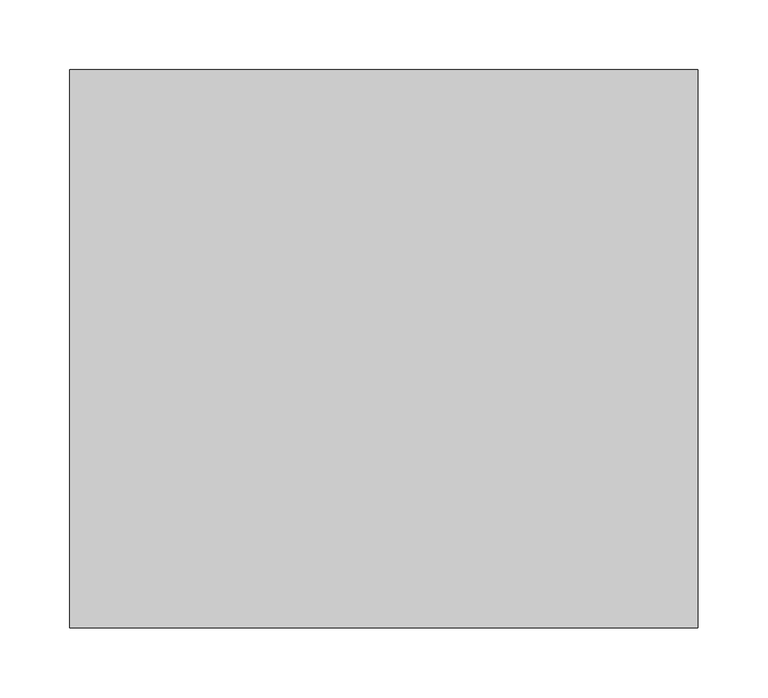
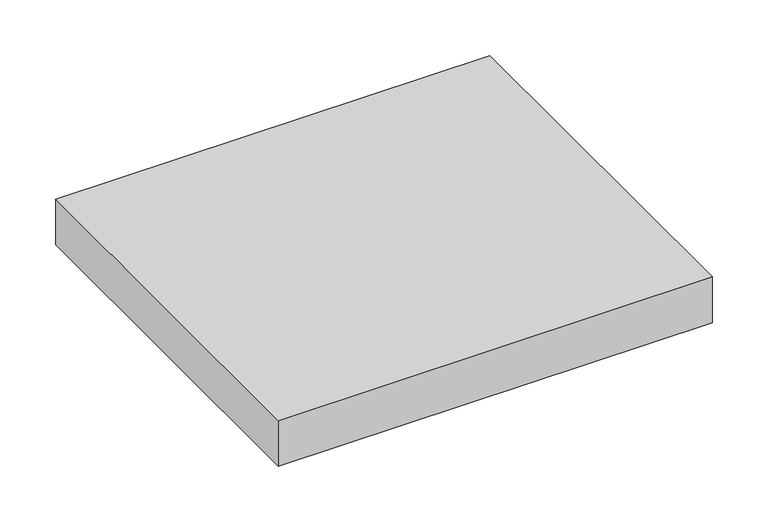
"""IFC4 building model written with IfcOpenShell, lengths in millimetres: proxy geometry."""

import ifcopenshell
import ifcopenshell.guid

model = None  # the IFC model being written
_history = None  # IfcOwnerHistory: only IFC2X3 demands one
_inside = {}  # id of a spatial element -> (the spatial element, [elements in it])
_under = {}  # id of a project, library or spatial element -> (it, [spatial elements below it])
_declared = {}  # id of a project -> (the project, [libraries it declares])
_typed = {}  # id of a type object -> (the type object, [elements of that type])
_made_of = {}  # id of a material, layer set ... -> (it, [elements and type objects made of it])


def new_model(schema):
    """Start an empty IFC model of exactly this schema.

    Asked for "IFC4X3", IfcOpenShell would pick the latest addendum, in which some entities
    have other attributes; the version numbers below select the first issue.
    IFC2X3 requires an IfcOwnerHistory on every rooted entity: one is made here for all.
    """
    global model, _history
    if schema == "IFC4X3":
        model = ifcopenshell.file(schema_version=(4, 3, 0, 0))
    else:
        model = ifcopenshell.file(schema=schema)
    _inside.clear()
    _under.clear()
    _declared.clear()
    _typed.clear()
    _made_of.clear()
    _history = None
    if model.schema == "IFC2X3":
        org = make("IfcOrganization", Name="unknown")
        user = make(
            "IfcPersonAndOrganization",
            ThePerson=make("IfcPerson", FamilyName="unknown"),
            TheOrganization=org,
        )
        app = make(
            "IfcApplication",
            ApplicationDeveloper=org,
            Version="unknown",
            ApplicationFullName="unknown",
            ApplicationIdentifier="unknown",
        )
        _history = make(
            "IfcOwnerHistory",
            OwningUser=user,
            OwningApplication=app,
            ChangeAction="ADDED",
            CreationDate=0,
        )
    return model


def make(cls, **values):
    """One entity of the class cls with the attributes given. An attribute that is None is left unset."""
    return model.create_entity(
        cls, **{name: value for name, value in values.items() if value is not None}
    )


def rooted(cls, **values):
    """An entity with a GlobalId (a new one), such as an element, a storey or a relation."""
    return make(cls, GlobalId=ifcopenshell.guid.new(), OwnerHistory=_history, **values)


def si_unit(unit_type, name, prefix=None):
    """IfcSIUnit, for example si_unit("LENGTHUNIT", "METRE", prefix="MILLI")."""
    return make("IfcSIUnit", UnitType=unit_type, Prefix=prefix, Name=name)


def assignment(units):
    """IfcUnitAssignment: the units of a project."""
    return None if units is None else make("IfcUnitAssignment", Units=units)


def point(xyz):
    """IfcCartesianPoint."""
    return None if xyz is None else make("IfcCartesianPoint", Coordinates=xyz)


def direction(xyz):
    """IfcDirection."""
    return None if xyz is None else make("IfcDirection", DirectionRatios=xyz)


def frame(location, z_axis=None, x_axis=None):
    """IfcAxis2Placement3D, a coordinate frame: its origin and axes. An axis left out is left unset."""
    return make(
        "IfcAxis2Placement3D",
        Location=point(location),
        Axis=direction(z_axis),
        RefDirection=direction(x_axis),
    )


def origin():
    """The frame at (0, 0, 0) with its axes left unset."""
    return frame((0.0, 0.0, 0.0))


def origin_with_axes():
    """The frame at (0, 0, 0) with the z axis (0, 0, 1) and the x axis (1, 0, 0) written out."""
    return frame((0.0, 0.0, 0.0), z_axis=(0.0, 0.0, 1.0), x_axis=(1.0, 0.0, 0.0))


def place(relative_to, where):
    """IfcLocalPlacement: puts the frame where relative to a parent placement (None: the world)."""
    return make(
        "IfcLocalPlacement", PlacementRelTo=relative_to, RelativePlacement=where
    )


def context(
    kind, dimensions, precision=None, world=None, true_north=None, identifier=None
):
    """IfcGeometricRepresentationContext, for example the 3D "Model" context."""
    return make(
        "IfcGeometricRepresentationContext",
        ContextIdentifier=identifier,
        ContextType=kind,
        CoordinateSpaceDimension=dimensions,
        Precision=precision,
        WorldCoordinateSystem=world,
        TrueNorth=true_north,
    )


def project(units=None, contexts=None):
    """IfcProject with its units and contexts."""
    return rooted(
        "IfcProject",
        Name="project",
        RepresentationContexts=contexts,
        UnitsInContext=assignment(units),
    )


def spatial(cls, under=None, at=None, **own):
    """A site, building, storey or space (cls), placed at a placement, below another one or the project."""
    s = rooted(cls, ObjectPlacement=at, **own)
    if under is not None:
        _under.setdefault(under.id(), (under, []))[1].append(s)
    return s


def polyline(points):
    """IfcPolyline through the points."""
    return make("IfcPolyline", Points=[point(p) for p in points])


def outline(outer, holes=None, kind="AREA"):
    """IfcArbitraryClosedProfileDef: a profile drawn as a closed curve; with holes, ...WithVoids."""
    if holes is None:
        return make("IfcArbitraryClosedProfileDef", ProfileType=kind, OuterCurve=outer)
    return make(
        "IfcArbitraryProfileDefWithVoids",
        ProfileType=kind,
        OuterCurve=outer,
        InnerCurves=holes,
    )


def extrude(swept, where, along, depth):
    """IfcExtrudedAreaSolid: the profile swept, set in the frame where, extruded along a direction by depth."""
    return make(
        "IfcExtrudedAreaSolid",
        SweptArea=swept,
        Position=where,
        ExtrudedDirection=direction(along),
        Depth=depth,
    )


def shape(context_of_items, identifier, shape_type, items):
    """IfcShapeRepresentation: the items that make up one representation, for example the "Body"."""
    return make(
        "IfcShapeRepresentation",
        ContextOfItems=context_of_items,
        RepresentationIdentifier=identifier,
        RepresentationType=shape_type,
        Items=items,
    )


def source(mapping_origin, context_of_items, identifier, shape_type, items):
    """IfcRepresentationMap: a shape defined once, which mapped items show again and again."""
    return make(
        "IfcRepresentationMap",
        MappingOrigin=mapping_origin,
        MappedRepresentation=shape(context_of_items, identifier, shape_type, items),
    )


def transform(
    local_origin,
    x_axis=None,
    y_axis=None,
    z_axis=None,
    scale=None,
    scale2=None,
    scale3=None,
    uniform=True,
):
    """IfcCartesianTransformationOperator3D, or its non-uniform kind. x_axis, y_axis, z_axis: its Axis1, 2, 3."""
    if uniform:
        return make(
            "IfcCartesianTransformationOperator3D",
            Axis1=direction(x_axis),
            Axis2=direction(y_axis),
            LocalOrigin=point(local_origin),
            Scale=scale,
            Axis3=direction(z_axis),
        )
    return make(
        "IfcCartesianTransformationOperator3DnonUniform",
        Axis1=direction(x_axis),
        Axis2=direction(y_axis),
        LocalOrigin=point(local_origin),
        Scale=scale,
        Axis3=direction(z_axis),
        Scale2=scale2,
        Scale3=scale3,
    )


def mapped(mapping_source, mapping_target):
    """IfcMappedItem: shows the shape of a source again, moved by a transform."""
    return make(
        "IfcMappedItem", MappingSource=mapping_source, MappingTarget=mapping_target
    )


def made_of(thing, what):
    """Note that an element or type object is made of a material, layer set ...; save() writes the relation."""
    if what is not None:
        _made_of.setdefault(what.id(), (what, []))[1].append(thing)
    return thing


def element(
    cls,
    number,
    at=None,
    inside=None,
    cuts=None,
    type_object=None,
    material=None,
    context=None,
    identifier="Body",
    shape_type=None,
    held_by="IfcProductDefinitionShape",
    body=None,
    shapes=None,
    **own,
):
    """One element of the class cls, such as IfcWall. Its Tag is "e" and its number.

    at: its placement. inside: the storey or other place that contains it. cuts: it is an
    opening in that element (IfcRelVoidsElement). A single representation is given by context,
    identifier, shape_type and body (its items); several are given by shapes. held_by: the class
    of the entity that holds the representations. save() writes the other relations.
    """
    e = rooted(cls, Tag="e%d" % number, ObjectPlacement=at, **own)
    if body is not None:
        shapes = [shape(context, identifier, shape_type, body)]
    if shapes is not None:
        e.Representation = make(held_by, Representations=shapes)
    if inside is not None:
        _inside.setdefault(inside.id(), (inside, []))[1].append(e)
    if cuts is not None:
        rooted(
            "IfcRelVoidsElement", RelatingBuildingElement=cuts, RelatedOpeningElement=e
        )
    if type_object is not None:
        _typed.setdefault(type_object.id(), (type_object, []))[1].append(e)
    return made_of(e, material)


def aggregate(whole, parts):
    """IfcRelAggregates: a whole, such as a stair, and the parts it consists of."""
    return rooted("IfcRelAggregates", RelatingObject=whole, RelatedObjects=parts)


def save(model, path):
    """Write the relations noted so far, then the file.

    IfcRelAggregates (storeys below a building ...), IfcRelContainedInSpatialStructure (elements
    in a storey), IfcRelDefinesByType, IfcRelAssociatesMaterial and IfcRelDeclares: one each for
    every whole, place, type object, material and project.
    """
    for whole, parts in _under.values():
        aggregate(whole, parts)
    for where, things in _inside.values():
        rooted(
            "IfcRelContainedInSpatialStructure",
            RelatedElements=things,
            RelatingStructure=where,
        )
    for kind, things in _typed.values():
        rooted("IfcRelDefinesByType", RelatedObjects=things, RelatingType=kind)
    for what, things in _made_of.values():
        rooted("IfcRelAssociatesMaterial", RelatedObjects=things, RelatingMaterial=what)
    for by, libraries in _declared.values():
        rooted("IfcRelDeclares", RelatingContext=by, RelatedDefinitions=libraries)
    model.write(path)


def generic_models_e0bd54a0(model_context):
    return source(origin(), model_context, "Body", "SweptSolid", [
        extrude(outline(polyline([(0.0, 400.0), (450.0, 400.0), (450.0, 0.0), (0.0, 0.0), (0.0, 400.0)])), origin_with_axes(), (0.0, 0.0, 1.0), 50.0),
    ])


if __name__ == "__main__":
    model = new_model("IFC4")
    model_context = context("Model", 3, world=origin())
    ifc_project = project(units=[si_unit("LENGTHUNIT", "METRE", prefix="MILLI")], contexts=[model_context])
    site = spatial("IfcSite", under=ifc_project)
    building = spatial("IfcBuilding", under=site)
    placement = place(None, origin())
    generic_models_shape = generic_models_e0bd54a0(model_context)
    element("IfcBuildingElementProxy", 1, Name="Generic Models", at=placement, inside=building, context=model_context, shape_type="MappedRepresentation", body=[
        mapped(generic_models_shape, transform((0.0, 0.0, 0.0), x_axis=(1.0, 0.0, 0.0), y_axis=(0.0, 1.0, 0.0), z_axis=(0.0, 0.0, 1.0))),
    ])
    save(model, "model.ifc")
